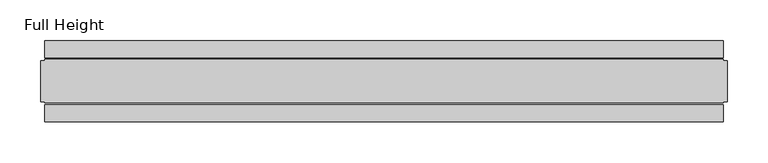
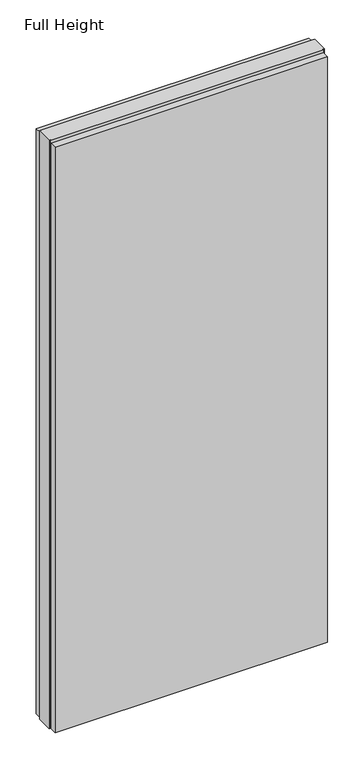
"""IFC4 building model written with IfcOpenShell, lengths in millimetres: plate geometry, Full Height."""

import ifcopenshell
import ifcopenshell.guid

model = None  # the IFC model being written
_history = None  # IfcOwnerHistory: only IFC2X3 demands one
_inside = {}  # id of a spatial element -> (the spatial element, [elements in it])
_under = {}  # id of a project, library or spatial element -> (it, [spatial elements below it])
_declared = {}  # id of a project -> (the project, [libraries it declares])
_typed = {}  # id of a type object -> (the type object, [elements of that type])
_made_of = {}  # id of a material, layer set ... -> (it, [elements and type objects made of it])


def new_model(schema):
    """Start an empty IFC model of exactly this schema.

    Asked for "IFC4X3", IfcOpenShell would pick the latest addendum, in which some entities
    have other attributes; the version numbers below select the first issue.
    IFC2X3 requires an IfcOwnerHistory on every rooted entity: one is made here for all.
    """
    global model, _history
    if schema == "IFC4X3":
        model = ifcopenshell.file(schema_version=(4, 3, 0, 0))
    else:
        model = ifcopenshell.file(schema=schema)
    _inside.clear()
    _under.clear()
    _declared.clear()
    _typed.clear()
    _made_of.clear()
    _history = None
    if model.schema == "IFC2X3":
        org = make("IfcOrganization", Name="unknown")
        user = make(
            "IfcPersonAndOrganization",
            ThePerson=make("IfcPerson", FamilyName="unknown"),
            TheOrganization=org,
        )
        app = make(
            "IfcApplication",
            ApplicationDeveloper=org,
            Version="unknown",
            ApplicationFullName="unknown",
            ApplicationIdentifier="unknown",
        )
        _history = make(
            "IfcOwnerHistory",
            OwningUser=user,
            OwningApplication=app,
            ChangeAction="ADDED",
            CreationDate=0,
        )
    return model


def make(cls, **values):
    """One entity of the class cls with the attributes given. An attribute that is None is left unset."""
    return model.create_entity(
        cls, **{name: value for name, value in values.items() if value is not None}
    )


def rooted(cls, **values):
    """An entity with a GlobalId (a new one), such as an element, a storey or a relation."""
    return make(cls, GlobalId=ifcopenshell.guid.new(), OwnerHistory=_history, **values)


def si_unit(unit_type, name, prefix=None):
    """IfcSIUnit, for example si_unit("LENGTHUNIT", "METRE", prefix="MILLI")."""
    return make("IfcSIUnit", UnitType=unit_type, Prefix=prefix, Name=name)


def assignment(units):
    """IfcUnitAssignment: the units of a project."""
    return None if units is None else make("IfcUnitAssignment", Units=units)


def point(xyz):
    """IfcCartesianPoint."""
    return None if xyz is None else make("IfcCartesianPoint", Coordinates=xyz)


def direction(xyz):
    """IfcDirection."""
    return None if xyz is None else make("IfcDirection", DirectionRatios=xyz)


def frame(location, z_axis=None, x_axis=None):
    """IfcAxis2Placement3D, a coordinate frame: its origin and axes. An axis left out is left unset."""
    return make(
        "IfcAxis2Placement3D",
        Location=point(location),
        Axis=direction(z_axis),
        RefDirection=direction(x_axis),
    )


def origin():
    """The frame at (0, 0, 0) with its axes left unset."""
    return frame((0.0, 0.0, 0.0))


def origin_with_axes():
    """The frame at (0, 0, 0) with the z axis (0, 0, 1) and the x axis (1, 0, 0) written out."""
    return frame((0.0, 0.0, 0.0), z_axis=(0.0, 0.0, 1.0), x_axis=(1.0, 0.0, 0.0))


def place(relative_to, where):
    """IfcLocalPlacement: puts the frame where relative to a parent placement (None: the world)."""
    return make(
        "IfcLocalPlacement", PlacementRelTo=relative_to, RelativePlacement=where
    )


def context(
    kind, dimensions, precision=None, world=None, true_north=None, identifier=None
):
    """IfcGeometricRepresentationContext, for example the 3D "Model" context."""
    return make(
        "IfcGeometricRepresentationContext",
        ContextIdentifier=identifier,
        ContextType=kind,
        CoordinateSpaceDimension=dimensions,
        Precision=precision,
        WorldCoordinateSystem=world,
        TrueNorth=true_north,
    )


def project(units=None, contexts=None):
    """IfcProject with its units and contexts."""
    return rooted(
        "IfcProject",
        Name="project",
        RepresentationContexts=contexts,
        UnitsInContext=assignment(units),
    )


def spatial(cls, under=None, at=None, **own):
    """A site, building, storey or space (cls), placed at a placement, below another one or the project."""
    s = rooted(cls, ObjectPlacement=at, **own)
    if under is not None:
        _under.setdefault(under.id(), (under, []))[1].append(s)
    return s


def polyline(points):
    """IfcPolyline through the points."""
    return make("IfcPolyline", Points=[point(p) for p in points])


def outline(outer, holes=None, kind="AREA"):
    """IfcArbitraryClosedProfileDef: a profile drawn as a closed curve; with holes, ...WithVoids."""
    if holes is None:
        return make("IfcArbitraryClosedProfileDef", ProfileType=kind, OuterCurve=outer)
    return make(
        "IfcArbitraryProfileDefWithVoids",
        ProfileType=kind,
        OuterCurve=outer,
        InnerCurves=holes,
    )


def extrude(swept, where, along, depth):
    """IfcExtrudedAreaSolid: the profile swept, set in the frame where, extruded along a direction by depth."""
    return make(
        "IfcExtrudedAreaSolid",
        SweptArea=swept,
        Position=where,
        ExtrudedDirection=direction(along),
        Depth=depth,
    )


def shape(context_of_items, identifier, shape_type, items):
    """IfcShapeRepresentation: the items that make up one representation, for example the "Body"."""
    return make(
        "IfcShapeRepresentation",
        ContextOfItems=context_of_items,
        RepresentationIdentifier=identifier,
        RepresentationType=shape_type,
        Items=items,
    )


def source(mapping_origin, context_of_items, identifier, shape_type, items):
    """IfcRepresentationMap: a shape defined once, which mapped items show again and again."""
    return make(
        "IfcRepresentationMap",
        MappingOrigin=mapping_origin,
        MappedRepresentation=shape(context_of_items, identifier, shape_type, items),
    )


def transform(
    local_origin,
    x_axis=None,
    y_axis=None,
    z_axis=None,
    scale=None,
    scale2=None,
    scale3=None,
    uniform=True,
):
    """IfcCartesianTransformationOperator3D, or its non-uniform kind. x_axis, y_axis, z_axis: its Axis1, 2, 3."""
    if uniform:
        return make(
            "IfcCartesianTransformationOperator3D",
            Axis1=direction(x_axis),
            Axis2=direction(y_axis),
            LocalOrigin=point(local_origin),
            Scale=scale,
            Axis3=direction(z_axis),
        )
    return make(
        "IfcCartesianTransformationOperator3DnonUniform",
        Axis1=direction(x_axis),
        Axis2=direction(y_axis),
        LocalOrigin=point(local_origin),
        Scale=scale,
        Axis3=direction(z_axis),
        Scale2=scale2,
        Scale3=scale3,
    )


def mapped(mapping_source, mapping_target):
    """IfcMappedItem: shows the shape of a source again, moved by a transform."""
    return make(
        "IfcMappedItem", MappingSource=mapping_source, MappingTarget=mapping_target
    )


def made_of(thing, what):
    """Note that an element or type object is made of a material, layer set ...; save() writes the relation."""
    if what is not None:
        _made_of.setdefault(what.id(), (what, []))[1].append(thing)
    return thing


def element(
    cls,
    number,
    at=None,
    inside=None,
    cuts=None,
    type_object=None,
    material=None,
    context=None,
    identifier="Body",
    shape_type=None,
    held_by="IfcProductDefinitionShape",
    body=None,
    shapes=None,
    **own,
):
    """One element of the class cls, such as IfcWall. Its Tag is "e" and its number.

    at: its placement. inside: the storey or other place that contains it. cuts: it is an
    opening in that element (IfcRelVoidsElement). A single representation is given by context,
    identifier, shape_type and body (its items); several are given by shapes. held_by: the class
    of the entity that holds the representations. save() writes the other relations.
    """
    e = rooted(cls, Tag="e%d" % number, ObjectPlacement=at, **own)
    if body is not None:
        shapes = [shape(context, identifier, shape_type, body)]
    if shapes is not None:
        e.Representation = make(held_by, Representations=shapes)
    if inside is not None:
        _inside.setdefault(inside.id(), (inside, []))[1].append(e)
    if cuts is not None:
        rooted(
            "IfcRelVoidsElement", RelatingBuildingElement=cuts, RelatedOpeningElement=e
        )
    if type_object is not None:
        _typed.setdefault(type_object.id(), (type_object, []))[1].append(e)
    return made_of(e, material)


def aggregate(whole, parts):
    """IfcRelAggregates: a whole, such as a stair, and the parts it consists of."""
    return rooted("IfcRelAggregates", RelatingObject=whole, RelatedObjects=parts)


def save(model, path):
    """Write the relations noted so far, then the file.

    IfcRelAggregates (storeys below a building ...), IfcRelContainedInSpatialStructure (elements
    in a storey), IfcRelDefinesByType, IfcRelAssociatesMaterial and IfcRelDeclares: one each for
    every whole, place, type object, material and project.
    """
    for whole, parts in _under.values():
        aggregate(whole, parts)
    for where, things in _inside.values():
        rooted(
            "IfcRelContainedInSpatialStructure",
            RelatedElements=things,
            RelatingStructure=where,
        )
    for kind, things in _typed.values():
        rooted("IfcRelDefinesByType", RelatedObjects=things, RelatingType=kind)
    for what, things in _made_of.values():
        rooted("IfcRelAssociatesMaterial", RelatedObjects=things, RelatingMaterial=what)
    for by, libraries in _declared.values():
        rooted("IfcRelDeclares", RelatingContext=by, RelatedDefinitions=libraries)
    model.write(path)


def full_height_36455a5f(model_context):
    return source(origin(), model_context, "Body", "SweptSolid", [
        extrude(outline(polyline([(416.2492315, -28.956), (416.2492315, -49.53), (-416.2492315, -49.53), (-416.2492315, -28.956), (416.2492315, -28.956)])), origin_with_axes(), (0.0, 0.0, 1.0), 1889.252),
        extrude(outline(polyline([(416.2492315, 28.956), (-416.2492315, 28.956), (-416.2492315, 49.53), (416.2492315, 49.53), (416.2492315, 28.956)])), origin_with_axes(), (0.0, 0.0, 1.0), 1889.252),
        extrude(outline(polyline([(416.2492315, 25.146), (420.8212315, 25.146), (420.8212315, -25.146), (416.2492315, -25.146), (416.2492315, -26.67), (-416.2492315, -26.67), (-416.2492315, -25.146), (-420.8212315, -25.146), (-420.8212315, 25.146), (-416.2492315, 25.146), (-416.2492315, 26.67), (416.2492315, 26.67), (416.2492315, 25.146)])), origin_with_axes(), (0.0, 0.0, 1.0), 1898.396),
    ])


if __name__ == "__main__":
    model = new_model("IFC4")
    model_context = context("Model", 3, world=origin())
    ifc_project = project(units=[si_unit("LENGTHUNIT", "METRE", prefix="MILLI")], contexts=[model_context])
    site = spatial("IfcSite", under=ifc_project)
    building = spatial("IfcBuilding", under=site)
    placement = place(None, origin())
    full_height_shape = full_height_36455a5f(model_context)
    element("IfcPlate", 1, ObjectType="Full Height", at=placement, inside=building, context=model_context, shape_type="MappedRepresentation", body=[
        mapped(full_height_shape, transform((0.0, 0.0, 0.0), x_axis=(1.0, 0.0, 0.0), y_axis=(0.0, 1.0, 0.0), z_axis=(0.0, 0.0, 1.0))),
    ])
    save(model, "model.ifc")
